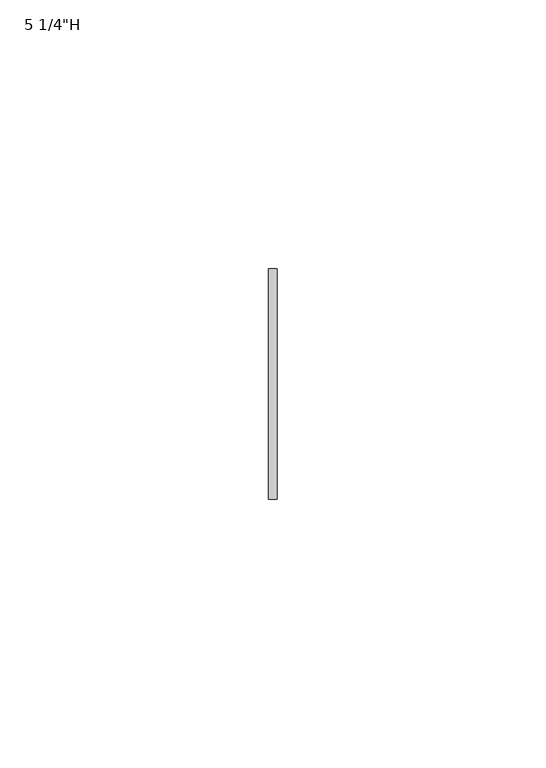
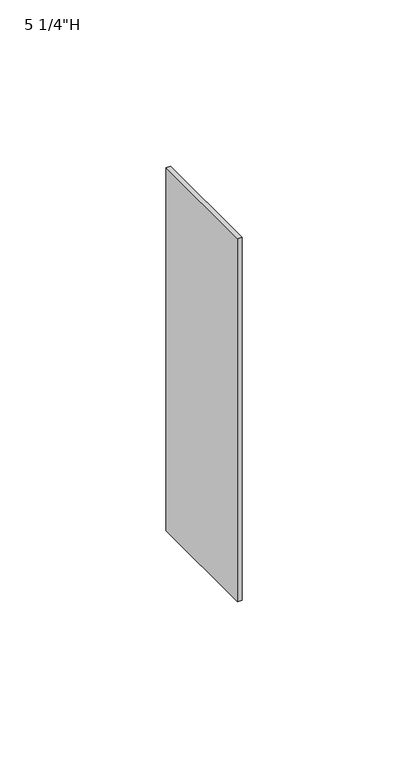
"""IFC4 building model written with IfcOpenShell, lengths in millimetres: furniture geometry."""

from ifc_helpers import new_model, si_unit, frame, origin, place, context, project, spatial, polyline, outline, extrude, source, transform, mapped, element, save


def furniture_9945bf14(model_context):
    return source(origin(), model_context, "Body", "SweptSolid", [
        extrude(outline(polyline([(-0.79375, -111.125), (0.79375, -111.125), (0.79375, -153.9875), (-0.79375, -153.9875), (-0.79375, -111.125)])), frame((0.0, 0.0, 1060.45), z_axis=(0.0, 0.0, 1.0), x_axis=(1.0, 0.0, 0.0)), (0.0, 0.0, 1.0), 133.35),
    ])


if __name__ == "__main__":
    model = new_model("IFC4")
    model_context = context("Model", 3, world=origin())
    ifc_project = project(units=[si_unit("LENGTHUNIT", "METRE", prefix="MILLI")], contexts=[model_context])
    site = spatial("IfcSite", under=ifc_project)
    building = spatial("IfcBuilding", under=site)
    placement = place(None, origin())
    furniture_shape = furniture_9945bf14(model_context)
    element("IfcFurniture", 1, ObjectType="5 1/4\"H", at=placement, inside=building, context=model_context, shape_type="MappedRepresentation", body=[
        mapped(furniture_shape, transform((0.0, 0.0, 0.0), x_axis=(1.0, 0.0, 0.0), y_axis=(0.0, 1.0, 0.0), z_axis=(0.0, 0.0, 1.0))),
    ])
    save(model, "model.ifc")
